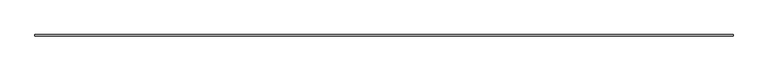
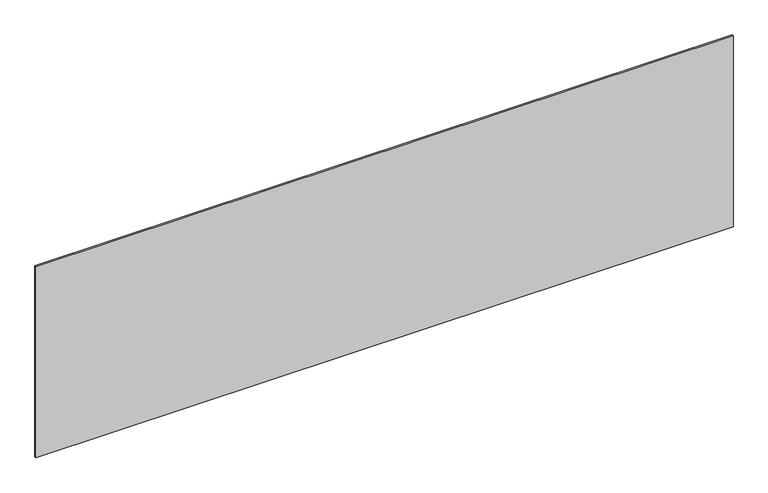
"""IFC4 building model written with IfcOpenShell, lengths in millimetres: plate geometry."""

from ifc_helpers import new_model, si_unit, origin, origin_with_axes, place, context, project, spatial, polyline, outline, extrude, source, transform, mapped, element, save


def plate_866a2cd3(model_context):
    return source(origin(), model_context, "Body", "SweptSolid", [
        extrude(outline(polyline([(2264.1666667, -5.0), (-2264.1666667, -5.0), (-2264.1666667, 5.0), (2264.1666667, 5.0), (2264.1666667, -5.0)])), origin_with_axes(), (0.0, 0.0, 1.0), 1312.0052046),
    ])


if __name__ == "__main__":
    model = new_model("IFC4")
    model_context = context("Model", 3, world=origin())
    ifc_project = project(units=[si_unit("LENGTHUNIT", "METRE", prefix="MILLI")], contexts=[model_context])
    site = spatial("IfcSite", under=ifc_project)
    building = spatial("IfcBuilding", under=site)
    placement = place(None, origin())
    plate_shape = plate_866a2cd3(model_context)
    element("IfcPlate", 1, at=placement, inside=building, context=model_context, shape_type="MappedRepresentation", body=[
        mapped(plate_shape, transform((0.0, 0.0, 0.0), x_axis=(1.0, 0.0, 0.0), y_axis=(0.0, 1.0, 0.0), z_axis=(0.0, 0.0, 1.0))),
    ])
    save(model, "model.ifc")
